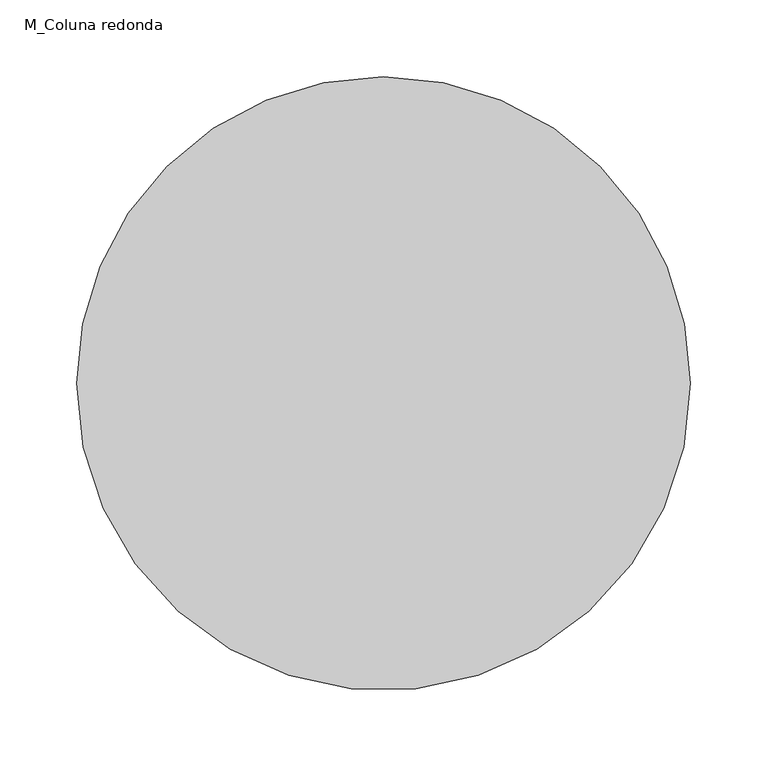
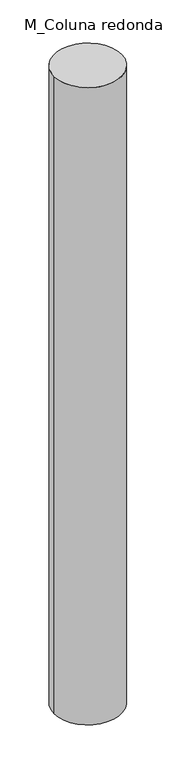
"""IFC4 building model written with IfcOpenShell, lengths in millimetres: column geometry, M_Coluna redonda."""

from ifc_helpers import new_model, si_unit, point, frame, origin, origin_2d, place, context, project, spatial, circle_curve, trimmed, segment, composite_curve, outline, extrude, source, transform, mapped, element, save


def m_coluna_redonda_61a10db5(model_context):
    return source(origin(), model_context, "Body", "SweptSolid", [
        extrude(outline(composite_curve([segment(trimmed(circle_curve(origin_2d(), 200.0), [point((200.0, 0.0))], [point((-200.0, 0.0))], False, "CARTESIAN"), True, "CONTINUOUS"), segment(trimmed(circle_curve(origin_2d(), 200.0), [point((-200.0, 0.0))], [point((0.0, 200.0))], False, "CARTESIAN"), True, "CONTINUOUS"), segment(trimmed(circle_curve(origin_2d(), 200.0), [point((0.0, 200.0))], [point((200.0, 0.0))], False, "CARTESIAN"), True, "CONTINUOUS")], self_intersect=False)), frame((0.0, 0.0, 3000.0), z_axis=(0.0, 0.0, 1.0), x_axis=(1.0, 0.0, 0.0)), (0.0, 0.0, 1.0), 4000.0),
    ])


if __name__ == "__main__":
    model = new_model("IFC4")
    model_context = context("Model", 3, world=origin())
    ifc_project = project(units=[si_unit("LENGTHUNIT", "METRE", prefix="MILLI")], contexts=[model_context])
    site = spatial("IfcSite", under=ifc_project)
    building = spatial("IfcBuilding", under=site)
    placement = place(None, origin())
    m_coluna_redonda_shape = m_coluna_redonda_61a10db5(model_context)
    element("IfcColumn", 1, ObjectType="M_Coluna redonda", at=placement, inside=building, context=model_context, shape_type="MappedRepresentation", body=[
        mapped(m_coluna_redonda_shape, transform((0.0, 0.0, 0.0), x_axis=(1.0, 0.0, 0.0), y_axis=(0.0, 1.0, 0.0), z_axis=(0.0, 0.0, 1.0))),
    ])
    save(model, "model.ifc")
